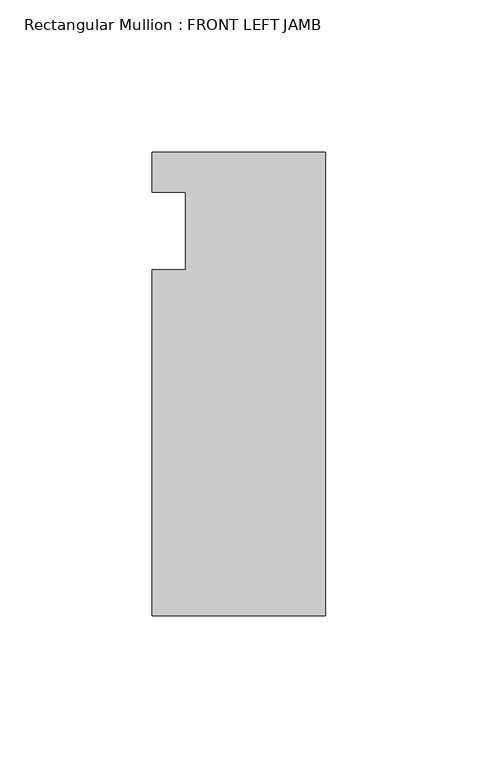
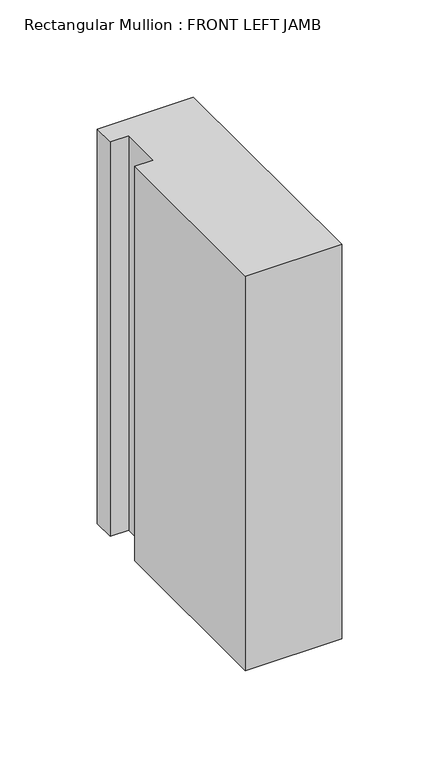
"""IFC4 building model written with IfcOpenShell, lengths in millimetres: member geometry, Rectangular Mullion : FRONT LEFT JAMB."""

from ifc_helpers import new_model, si_unit, frame, origin, place, context, project, spatial, polyline, outline, extrude, source, transform, mapped, element, save


def rectangular_mullion_front_left_jamb_a7421769(model_context):
    return source(origin(), model_context, "Body", "SweptSolid", [
        extrude(outline(polyline([(-57.15, 38.5960937), (0.0, 38.5960938), (0.0, -113.8039062), (-57.15, -113.8039063), (-57.15, 0.0007937), (-46.0375, 0.0007937), (-46.0375, 25.4007937), (-57.15, 25.4007937), (-57.15, 38.5960937)])), frame((0.0, 0.0, -247.65), z_axis=(0.0, 0.0, 1.0), x_axis=(1.0, 0.0, 0.0)), (0.0, 0.0, 1.0), 247.65),
    ])


if __name__ == "__main__":
    model = new_model("IFC4")
    model_context = context("Model", 3, world=origin())
    ifc_project = project(units=[si_unit("LENGTHUNIT", "METRE", prefix="MILLI")], contexts=[model_context])
    site = spatial("IfcSite", under=ifc_project)
    building = spatial("IfcBuilding", under=site)
    placement = place(None, origin())
    rectangular_mullion_front_left_jamb_shape = rectangular_mullion_front_left_jamb_a7421769(model_context)
    element("IfcMember", 1, ObjectType="Rectangular Mullion : FRONT LEFT JAMB", at=placement, inside=building, context=model_context, shape_type="MappedRepresentation", body=[
        mapped(rectangular_mullion_front_left_jamb_shape, transform((0.0, 0.0, 0.0), x_axis=(1.0, 0.0, 0.0), y_axis=(0.0, 1.0, 0.0), z_axis=(0.0, 0.0, 1.0))),
    ])
    save(model, "model.ifc")
